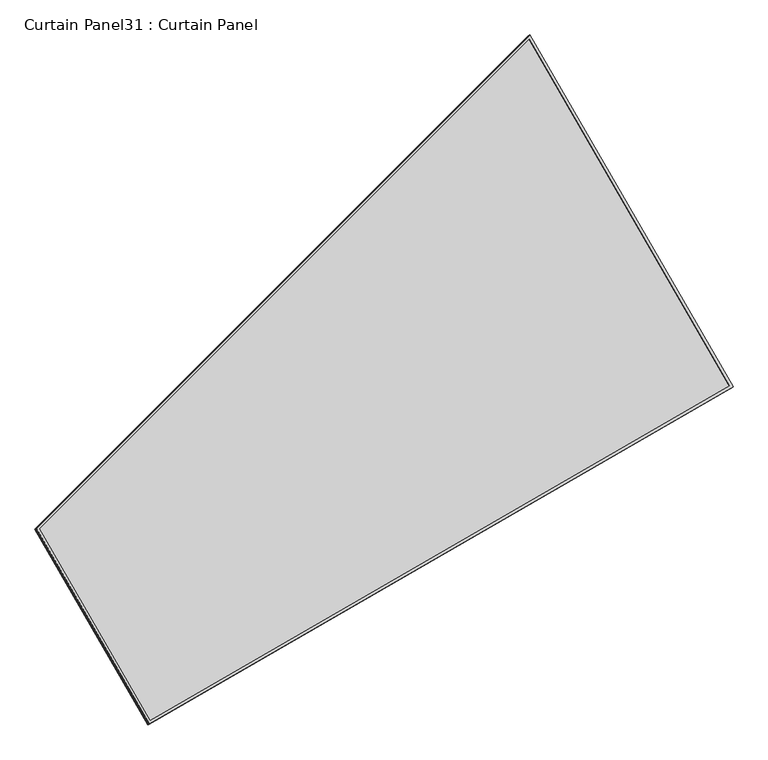
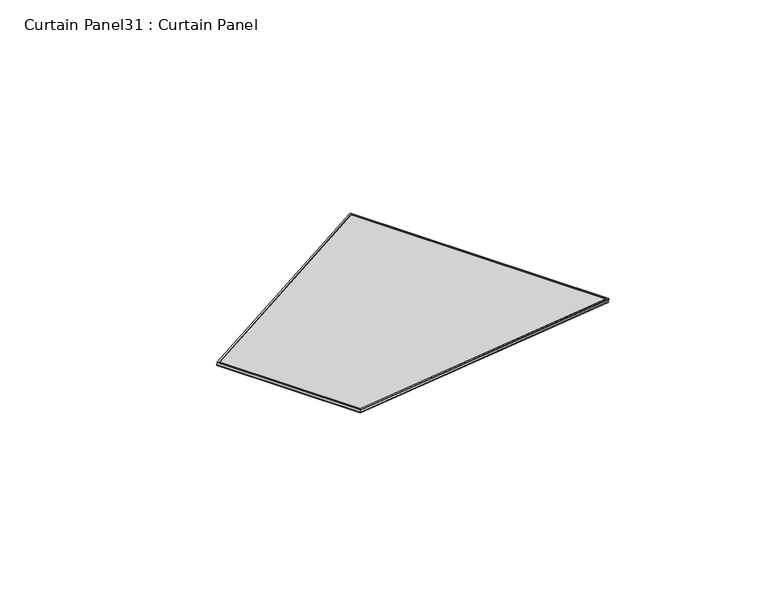
"""IFC4 building model written with IfcOpenShell, lengths in millimetres: plate geometry, Curtain Panel31 : Curtain Panel."""

from ifc_helpers import new_model, si_unit, frame, origin, place, context, project, spatial, polyline, outline, extrude, source, transform, mapped, element, save


def curtain_panel31_curtain_panel_10ac1f5e(model_context):
    return source(origin(), model_context, "Body", "SweptSolid", [
        extrude(outline(polyline([(1625.9244289, -2842.2762639), (722.5243658, -2842.2762639), (0.0, 0.0), (1625.924429, 0.0), (1625.9244289, -2842.2762639)]), holes=[polyline([(1614.8119289, -11.1124999), (14.2907959, -11.1124999), (731.165428, -2831.1637639), (1614.811929, -2831.1637639), (1614.8119289, -11.1124999)])]), frame((19155.3962348, 8187.3618982, -25.8753228), z_axis=(0.27379031486167993, 0.15807291198689982, 0.9487106081329142), x_axis=(0.49999999999999195, -0.8660254037844435, 0.0)), (0.0, 0.0, 1.0), 4.8026954),
        extrude(outline(polyline([(1625.9244289, -2842.2762639), (722.5243657, -2842.2762639), (0.0, 0.0), (1625.924429, 0.0), (1625.9244289, -2842.2762639)]), holes=[polyline([(1614.8119289, -11.1125), (14.2907959, -11.1125), (731.165428, -2831.163764), (1614.8119289, -2831.163764), (1614.8119289, -11.1125)])]), frame((19160.2256737, 8190.150176, -9.1408381), z_axis=(0.2737903148616796, 0.15807291198690002, 0.9487106081329143), x_axis=(0.49999999999999245, -0.866025403784443, 0.0)), (0.0, 0.0, 1.0), 4.8296256),
        extrude(outline(polyline([(25.6708835, -1e-07), (1651.5953125, 0.0), (1651.5953125, -2842.2762641), (748.1952494, -2842.276264), (25.6708835, -1e-07)])), frame((19143.8757246, 8210.3527116, -21.3189547), z_axis=(0.27379031486168015, 0.15807291198690002, 0.9487106081329142), x_axis=(0.49999999999999134, -0.8660254037844437, 0.0)), (0.0, 0.0, 1.0), 12.8364925),
    ])


if __name__ == "__main__":
    model = new_model("IFC4")
    model_context = context("Model", 3, world=origin())
    ifc_project = project(units=[si_unit("LENGTHUNIT", "METRE", prefix="MILLI")], contexts=[model_context])
    site = spatial("IfcSite", under=ifc_project)
    building = spatial("IfcBuilding", under=site)
    placement = place(None, origin())
    curtain_panel31_curtain_panel_shape = curtain_panel31_curtain_panel_10ac1f5e(model_context)
    element("IfcPlate", 1, ObjectType="Curtain Panel31 : Curtain Panel", at=placement, inside=building, context=model_context, shape_type="MappedRepresentation", body=[
        mapped(curtain_panel31_curtain_panel_shape, transform((0.0, 0.0, 0.0), x_axis=(1.0, 0.0, 0.0), y_axis=(0.0, 1.0, 0.0), z_axis=(0.0, 0.0, 1.0))),
    ])
    save(model, "model.ifc")
